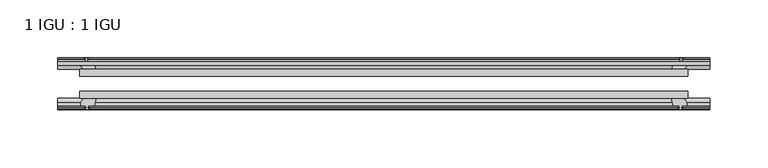
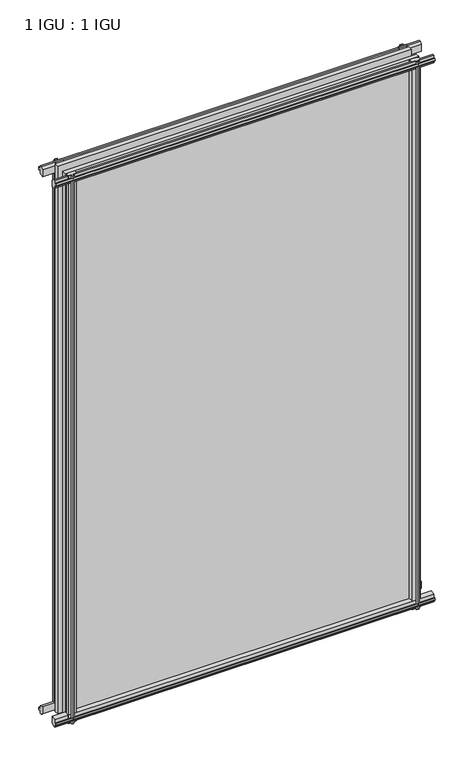
"""IFC4 building model written with IfcOpenShell, lengths in millimetres: plate geometry, 1 IGU : 1 IGU."""

import ifcopenshell
import ifcopenshell.guid

model = None  # the IFC model being written
_history = None  # IfcOwnerHistory: only IFC2X3 demands one
_inside = {}  # id of a spatial element -> (the spatial element, [elements in it])
_under = {}  # id of a project, library or spatial element -> (it, [spatial elements below it])
_declared = {}  # id of a project -> (the project, [libraries it declares])
_typed = {}  # id of a type object -> (the type object, [elements of that type])
_made_of = {}  # id of a material, layer set ... -> (it, [elements and type objects made of it])


def new_model(schema):
    """Start an empty IFC model of exactly this schema.

    Asked for "IFC4X3", IfcOpenShell would pick the latest addendum, in which some entities
    have other attributes; the version numbers below select the first issue.
    IFC2X3 requires an IfcOwnerHistory on every rooted entity: one is made here for all.
    """
    global model, _history
    if schema == "IFC4X3":
        model = ifcopenshell.file(schema_version=(4, 3, 0, 0))
    else:
        model = ifcopenshell.file(schema=schema)
    _inside.clear()
    _under.clear()
    _declared.clear()
    _typed.clear()
    _made_of.clear()
    _history = None
    if model.schema == "IFC2X3":
        org = make("IfcOrganization", Name="unknown")
        user = make(
            "IfcPersonAndOrganization",
            ThePerson=make("IfcPerson", FamilyName="unknown"),
            TheOrganization=org,
        )
        app = make(
            "IfcApplication",
            ApplicationDeveloper=org,
            Version="unknown",
            ApplicationFullName="unknown",
            ApplicationIdentifier="unknown",
        )
        _history = make(
            "IfcOwnerHistory",
            OwningUser=user,
            OwningApplication=app,
            ChangeAction="ADDED",
            CreationDate=0,
        )
    return model


def make(cls, **values):
    """One entity of the class cls with the attributes given. An attribute that is None is left unset."""
    return model.create_entity(
        cls, **{name: value for name, value in values.items() if value is not None}
    )


def rooted(cls, **values):
    """An entity with a GlobalId (a new one), such as an element, a storey or a relation."""
    return make(cls, GlobalId=ifcopenshell.guid.new(), OwnerHistory=_history, **values)


def si_unit(unit_type, name, prefix=None):
    """IfcSIUnit, for example si_unit("LENGTHUNIT", "METRE", prefix="MILLI")."""
    return make("IfcSIUnit", UnitType=unit_type, Prefix=prefix, Name=name)


def assignment(units):
    """IfcUnitAssignment: the units of a project."""
    return None if units is None else make("IfcUnitAssignment", Units=units)


def point(xyz):
    """IfcCartesianPoint."""
    return None if xyz is None else make("IfcCartesianPoint", Coordinates=xyz)


def direction(xyz):
    """IfcDirection."""
    return None if xyz is None else make("IfcDirection", DirectionRatios=xyz)


def frame(location, z_axis=None, x_axis=None):
    """IfcAxis2Placement3D, a coordinate frame: its origin and axes. An axis left out is left unset."""
    return make(
        "IfcAxis2Placement3D",
        Location=point(location),
        Axis=direction(z_axis),
        RefDirection=direction(x_axis),
    )


def origin():
    """The frame at (0, 0, 0) with its axes left unset."""
    return frame((0.0, 0.0, 0.0))


def place(relative_to, where):
    """IfcLocalPlacement: puts the frame where relative to a parent placement (None: the world)."""
    return make(
        "IfcLocalPlacement", PlacementRelTo=relative_to, RelativePlacement=where
    )


def context(
    kind, dimensions, precision=None, world=None, true_north=None, identifier=None
):
    """IfcGeometricRepresentationContext, for example the 3D "Model" context."""
    return make(
        "IfcGeometricRepresentationContext",
        ContextIdentifier=identifier,
        ContextType=kind,
        CoordinateSpaceDimension=dimensions,
        Precision=precision,
        WorldCoordinateSystem=world,
        TrueNorth=true_north,
    )


def project(units=None, contexts=None):
    """IfcProject with its units and contexts."""
    return rooted(
        "IfcProject",
        Name="project",
        RepresentationContexts=contexts,
        UnitsInContext=assignment(units),
    )


def spatial(cls, under=None, at=None, **own):
    """A site, building, storey or space (cls), placed at a placement, below another one or the project."""
    s = rooted(cls, ObjectPlacement=at, **own)
    if under is not None:
        _under.setdefault(under.id(), (under, []))[1].append(s)
    return s


def polyline(points):
    """IfcPolyline through the points."""
    return make("IfcPolyline", Points=[point(p) for p in points])


def outline(outer, holes=None, kind="AREA"):
    """IfcArbitraryClosedProfileDef: a profile drawn as a closed curve; with holes, ...WithVoids."""
    if holes is None:
        return make("IfcArbitraryClosedProfileDef", ProfileType=kind, OuterCurve=outer)
    return make(
        "IfcArbitraryProfileDefWithVoids",
        ProfileType=kind,
        OuterCurve=outer,
        InnerCurves=holes,
    )


def extrude(swept, where, along, depth):
    """IfcExtrudedAreaSolid: the profile swept, set in the frame where, extruded along a direction by depth."""
    return make(
        "IfcExtrudedAreaSolid",
        SweptArea=swept,
        Position=where,
        ExtrudedDirection=direction(along),
        Depth=depth,
    )


def shape(context_of_items, identifier, shape_type, items):
    """IfcShapeRepresentation: the items that make up one representation, for example the "Body"."""
    return make(
        "IfcShapeRepresentation",
        ContextOfItems=context_of_items,
        RepresentationIdentifier=identifier,
        RepresentationType=shape_type,
        Items=items,
    )


def source(mapping_origin, context_of_items, identifier, shape_type, items):
    """IfcRepresentationMap: a shape defined once, which mapped items show again and again."""
    return make(
        "IfcRepresentationMap",
        MappingOrigin=mapping_origin,
        MappedRepresentation=shape(context_of_items, identifier, shape_type, items),
    )


def transform(
    local_origin,
    x_axis=None,
    y_axis=None,
    z_axis=None,
    scale=None,
    scale2=None,
    scale3=None,
    uniform=True,
):
    """IfcCartesianTransformationOperator3D, or its non-uniform kind. x_axis, y_axis, z_axis: its Axis1, 2, 3."""
    if uniform:
        return make(
            "IfcCartesianTransformationOperator3D",
            Axis1=direction(x_axis),
            Axis2=direction(y_axis),
            LocalOrigin=point(local_origin),
            Scale=scale,
            Axis3=direction(z_axis),
        )
    return make(
        "IfcCartesianTransformationOperator3DnonUniform",
        Axis1=direction(x_axis),
        Axis2=direction(y_axis),
        LocalOrigin=point(local_origin),
        Scale=scale,
        Axis3=direction(z_axis),
        Scale2=scale2,
        Scale3=scale3,
    )


def mapped(mapping_source, mapping_target):
    """IfcMappedItem: shows the shape of a source again, moved by a transform."""
    return make(
        "IfcMappedItem", MappingSource=mapping_source, MappingTarget=mapping_target
    )


def made_of(thing, what):
    """Note that an element or type object is made of a material, layer set ...; save() writes the relation."""
    if what is not None:
        _made_of.setdefault(what.id(), (what, []))[1].append(thing)
    return thing


def element(
    cls,
    number,
    at=None,
    inside=None,
    cuts=None,
    type_object=None,
    material=None,
    context=None,
    identifier="Body",
    shape_type=None,
    held_by="IfcProductDefinitionShape",
    body=None,
    shapes=None,
    **own,
):
    """One element of the class cls, such as IfcWall. Its Tag is "e" and its number.

    at: its placement. inside: the storey or other place that contains it. cuts: it is an
    opening in that element (IfcRelVoidsElement). A single representation is given by context,
    identifier, shape_type and body (its items); several are given by shapes. held_by: the class
    of the entity that holds the representations. save() writes the other relations.
    """
    e = rooted(cls, Tag="e%d" % number, ObjectPlacement=at, **own)
    if body is not None:
        shapes = [shape(context, identifier, shape_type, body)]
    if shapes is not None:
        e.Representation = make(held_by, Representations=shapes)
    if inside is not None:
        _inside.setdefault(inside.id(), (inside, []))[1].append(e)
    if cuts is not None:
        rooted(
            "IfcRelVoidsElement", RelatingBuildingElement=cuts, RelatedOpeningElement=e
        )
    if type_object is not None:
        _typed.setdefault(type_object.id(), (type_object, []))[1].append(e)
    return made_of(e, material)


def aggregate(whole, parts):
    """IfcRelAggregates: a whole, such as a stair, and the parts it consists of."""
    return rooted("IfcRelAggregates", RelatingObject=whole, RelatedObjects=parts)


def save(model, path):
    """Write the relations noted so far, then the file.

    IfcRelAggregates (storeys below a building ...), IfcRelContainedInSpatialStructure (elements
    in a storey), IfcRelDefinesByType, IfcRelAssociatesMaterial and IfcRelDeclares: one each for
    every whole, place, type object, material and project.
    """
    for whole, parts in _under.values():
        aggregate(whole, parts)
    for where, things in _inside.values():
        rooted(
            "IfcRelContainedInSpatialStructure",
            RelatedElements=things,
            RelatingStructure=where,
        )
    for kind, things in _typed.values():
        rooted("IfcRelDefinesByType", RelatedObjects=things, RelatingType=kind)
    for what, things in _made_of.values():
        rooted("IfcRelAssociatesMaterial", RelatedObjects=things, RelatingMaterial=what)
    for by, libraries in _declared.values():
        rooted("IfcRelDeclares", RelatingContext=by, RelatedDefinitions=libraries)
    model.write(path)


def plate_1_igu_1_igu_2f00b28e(model_context):
    return source(origin(), model_context, "Body", "SweptSolid", [
        extrude(outline(polyline([(-263.5250001, -38.6468937), (263.5250001, -38.6468937), (263.5250001, -44.9460938), (-263.5250001, -44.9460938), (-263.5250001, -38.6468937)])), frame((0.0, 0.0, -12.7), z_axis=(0.0, 0.0, 1.0), x_axis=(1.0, 0.0, 0.0)), (0.0, 0.0, 1.0), 863.5999996),
        extrude(outline(polyline([(-263.5250001, -19.5460937), (263.5250001, -19.5460937), (263.5250001, -25.8960938), (-263.5250001, -25.8960938), (-263.5250001, -19.5460937)])), frame((0.0, 0.0, -12.7), z_axis=(0.0, 0.0, 1.0), x_axis=(1.0, 0.0, 0.0)), (0.0, 0.0, 1.0), 863.5999996),
        extrude(outline(polyline([(-44.9460937, 1.7177181), (-44.9460937, -9.1036578), (-48.3496937, -11.938), (-51.2960937, -11.938), (-51.2960937, -7.493), (-53.6762907, -7.112), (-53.2163575, -8.5275291), (-54.0175717, -8.5275291), (-54.7250937, -6.35), (-54.0175717, -4.1724709), (-53.2163575, -4.1724709), (-53.6762907, -5.588), (-51.2960937, -5.207), (-51.2960937, 0.0), (-44.9460937, 1.7177181)])), frame((-282.5750001, 0.0, 0.0), z_axis=(1.0, 0.0, 0.0), x_axis=(0.0, 1.0, 0.0)), (0.0, 0.0, 1.0), 565.1500002),
        extrude(outline(polyline([(-13.1960937, -12.4587), (-16.1424937, -12.4587), (-19.5460937, -9.6243578), (-19.5460937, 1.1970181), (-13.1960937, -0.5207), (-13.1960937, -5.7277), (-10.8158968, -6.1087), (-11.27583, -4.6931709), (-10.4746158, -4.6931709), (-9.7670937, -6.8707), (-10.4746158, -9.0482291), (-11.27583, -9.0482291), (-10.8158968, -7.6327), (-13.1960937, -8.0137), (-13.1960937, -12.4587)])), frame((-282.5750001, 0.0, 0.0), z_axis=(1.0, 0.0, 0.0), x_axis=(0.0, 1.0, 0.0)), (0.0, 0.0, 1.0), 565.1500002),
        extrude(outline(polyline([(-51.2960937, 850.1379996), (-48.3496937, 850.1379996), (-44.9460937, 847.3036575), (-44.9460937, 836.4822816), (-51.2960937, 838.1999996), (-51.2960937, 843.4069996), (-53.6762907, 843.7879996), (-53.2163575, 842.3724706), (-54.0175717, 842.3724706), (-54.7250937, 844.5499996), (-54.0175717, 846.7275287), (-53.2163575, 846.7275287), (-53.6762907, 845.3119996), (-51.2960937, 845.6929996), (-51.2960937, 850.1379996)])), frame((-282.5750001, 0.0, 0.0), z_axis=(1.0, 0.0, 0.0), x_axis=(0.0, 1.0, 0.0)), (0.0, 0.0, 1.0), 565.1500002),
        extrude(outline(polyline([(-19.5460937, 837.0029816), (-19.5460937, 847.8243575), (-16.1424937, 850.6586996), (-13.1960937, 850.6586996), (-13.1960937, 846.2136996), (-10.8158968, 845.8326996), (-11.27583, 847.2482287), (-10.4746158, 847.2482287), (-9.7670937, 845.0706996), (-10.4746158, 842.8931706), (-11.27583, 842.8931706), (-10.8158968, 844.3086996), (-13.1960937, 843.9276996), (-13.1960937, 838.7206996), (-19.5460937, 837.0029816)])), frame((-282.5750001, 0.0, 0.0), z_axis=(1.0, 0.0, 0.0), x_axis=(0.0, 1.0, 0.0)), (0.0, 0.0, 1.0), 565.1500002),
        extrude(outline(polyline([(249.627982, -19.5460938), (251.3457001, -13.1960938), (256.5527001, -13.1960938), (256.9337001, -10.8158968), (255.518171, -11.27583), (255.518171, -10.4746158), (257.6957001, -9.7670938), (259.8732291, -10.4746158), (259.8732291, -11.27583), (258.4577001, -10.8158968), (258.8387001, -13.1960938), (263.2837001, -13.1960938), (263.2837001, -16.1424938), (260.4493579, -19.5460938), (249.627982, -19.5460938)])), frame((0.0, 0.0, -12.7), z_axis=(0.0, 0.0, 1.0), x_axis=(1.0, 0.0, 0.0)), (0.0, 0.0, 1.0), 863.5999998),
        extrude(outline(polyline([(249.107282, -44.9460938), (259.9286579, -44.9460938), (262.7630001, -48.3496938), (262.7630001, -51.2960938), (258.3180001, -51.2960938), (257.9370001, -53.6762907), (259.3525291, -53.2163575), (259.3525291, -54.0175717), (257.1750001, -54.7250938), (254.997471, -54.0175717), (254.997471, -53.2163575), (256.4130001, -53.6762907), (256.0320001, -51.2960938), (250.8250001, -51.2960938), (249.107282, -44.9460938)])), frame((0.0, 0.0, -12.7), z_axis=(0.0, 0.0, 1.0), x_axis=(1.0, 0.0, 0.0)), (0.0, 0.0, 1.0), 863.5999998),
        extrude(outline(polyline([(-257.6957001, -9.7670937), (-255.518171, -10.4746158), (-255.518171, -11.27583), (-256.9337001, -10.8158968), (-256.5527001, -13.1960937), (-251.3457001, -13.1960937), (-249.627982, -19.5460937), (-260.4493579, -19.5460937), (-263.2837001, -16.1424937), (-263.2837001, -13.1960937), (-258.8387001, -13.1960937), (-258.4577001, -10.8158968), (-259.8732291, -11.27583), (-259.8732291, -10.4746158), (-257.6957001, -9.7670937)])), frame((0.0, 0.0, -12.7), z_axis=(0.0, 0.0, 1.0), x_axis=(1.0, 0.0, 0.0)), (0.0, 0.0, 1.0), 863.5999998),
        extrude(outline(polyline([(-262.7630001, -48.3496937), (-259.9286579, -44.9460937), (-249.107282, -44.9460937), (-250.8250001, -51.2960937), (-256.0320001, -51.2960937), (-256.4130001, -53.6762907), (-254.997471, -53.2163575), (-254.997471, -54.0175717), (-257.1750001, -54.7250937), (-259.3525291, -54.0175717), (-259.3525291, -53.2163575), (-257.9370001, -53.6762907), (-258.3180001, -51.2960937), (-262.7630001, -51.2960937), (-262.7630001, -48.3496937)])), frame((0.0, 0.0, -12.7), z_axis=(0.0, 0.0, 1.0), x_axis=(1.0, 0.0, 0.0)), (0.0, 0.0, 1.0), 863.5999998),
    ])


if __name__ == "__main__":
    model = new_model("IFC4")
    model_context = context("Model", 3, world=origin())
    ifc_project = project(units=[si_unit("LENGTHUNIT", "METRE", prefix="MILLI")], contexts=[model_context])
    site = spatial("IfcSite", under=ifc_project)
    building = spatial("IfcBuilding", under=site)
    placement = place(None, origin())
    plate_1_igu_1_igu_shape = plate_1_igu_1_igu_2f00b28e(model_context)
    element("IfcPlate", 1, ObjectType="1 IGU : 1 IGU", at=placement, inside=building, context=model_context, shape_type="MappedRepresentation", body=[
        mapped(plate_1_igu_1_igu_shape, transform((0.0, 0.0, 0.0), x_axis=(1.0, 0.0, 0.0), y_axis=(0.0, 1.0, 0.0), z_axis=(0.0, 0.0, 1.0))),
    ])
    save(model, "model.ifc")
